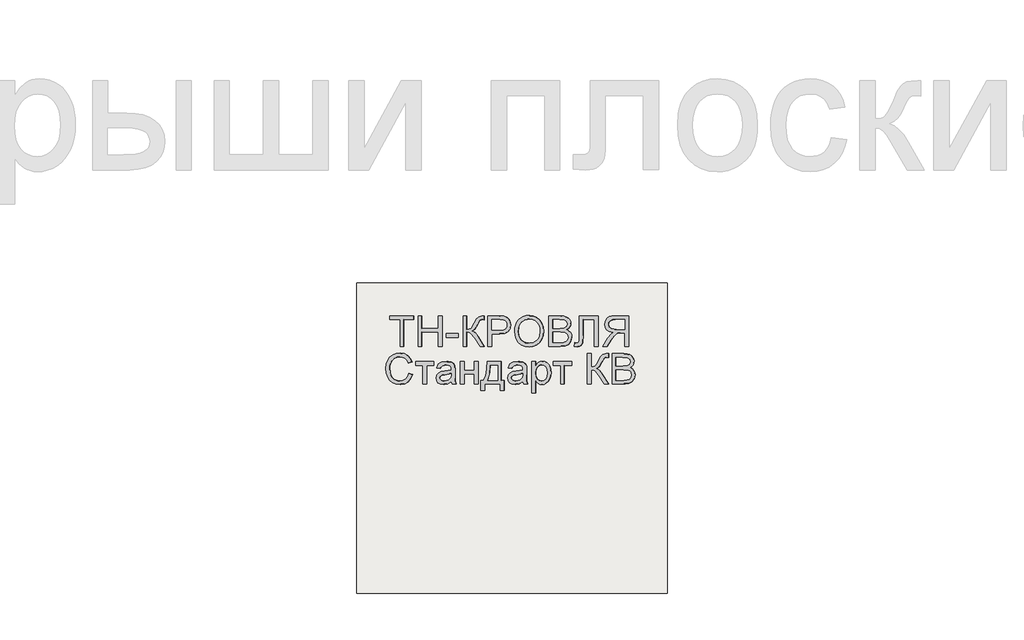
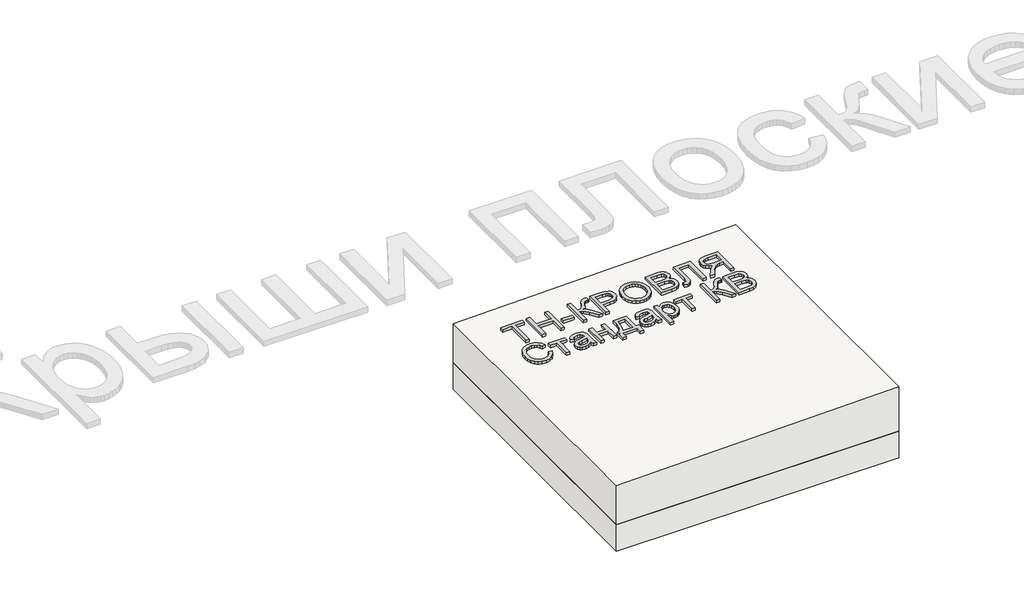
# One storey, part 1 of 2: 1 proxy, 1 roof, 1 slab.
"""IFC4 building model written with IfcOpenShell, lengths in millimetres."""

from ifc_helpers import new_model, si_unit, frame, origin, place, context, project, spatial, polyline, outline, extrude, element, save

model = new_model("IFC4")

# Units and contexts
model_context = context("Model", 3, world=origin())
ifc_project = project(units=[si_unit("LENGTHUNIT", "METRE", prefix="MILLI")], contexts=[model_context])

# Site, building, storey
site = spatial("IfcSite", under=ifc_project)
building = spatial("IfcBuilding", under=site)
storey = spatial("IfcBuildingStorey", under=building, Elevation=0.0)

# Proxy
placement = place(None, origin())
element("IfcBuildingElementProxy", 1, Name="Generic Models", at=placement, inside=storey, context=model_context, shape_type="SweptSolid", body=[
    extrude(outline(polyline([(24.6153846, 0.0), (24.6153846, -172.3076923), (89.2307692, -172.3076923), (89.2307692, -196.9230769), (-64.6153846, -196.9230769), (-64.6153846, -172.3076923), (0.0, -172.3076923), (0.0, 0.0), (24.6153846, 0.0)])), frame((1009.621708, -4710.2316754, 296.0645223), z_axis=(-0.019996001199563986, 0.0, 0.9998000599800078), x_axis=(-0.9998000599800078, 0.0, -0.019996001199563986)), (0.0, 0.0, 1.0), 20.0),
    extrude(outline(polyline([(24.6153846, 0.0), (24.6153846, -196.9230769), (0.0, -196.9230769), (0.0, -116.9230769), (-104.6153846, -116.9230769), (-104.6153846, -196.9230769), (-129.2307693, -196.9230769), (-129.2307693, 0.0), (-104.6153846, 0.0), (-104.6153846, -92.3076923), (0.0, -92.3076923), (0.0, 0.0), (24.6153846, 0.0)])), frame((1126.5214073, -4710.2316754, 298.4025162), z_axis=(-0.01999600119956399, 0.0, 0.9998000599800078), x_axis=(-0.9998000599800078, 0.0, -0.01999600119956399)), (0.0, 0.0, 1.0), 20.0),
    extrude(outline(polyline([(76.923077, 0.0), (76.923077, -24.6153846), (0.0, -24.6153846), (0.0, 0.0), (76.923077, 0.0)])), frame((1360.320806, -4651.7701369, 303.0785042), z_axis=(-0.01999600119956399, 0.0, 0.9998000599800079), x_axis=(-0.9998000599800079, 0.0, -0.01999600119956399)), (0.0, 0.0, 1.0), 20.0),
    extrude(outline(polyline([(196.9230769, 0.0), (196.9230769, -24.6153846), (110.7692308, -24.6153846), (112.3978365, -41.2800481), (117.2836538, -52.1394232), (128.7800481, -60.9194711), (150.2403846, -71.3461539), (177.7644231, -84.9278847), (191.3942308, -100.3125), (196.9230769, -122.3076923), (196.6346154, -138.4615385), (172.0192308, -138.4615385), (172.1634615, -133.0288462), (172.3076923, -127.5961539), (170.8293269, -116.3221154), (166.3942308, -108.3653847), (141.0576923, -93.7500001), (110.1923077, -76.3221154), (100.0, -59.3269231), (88.8701923, -78.329327), (65.6730769, -97.0673077), (0.0, -138.4615385), (0.0, -109.9038462), (55.4807692, -74.9038462), (84.4471154, -50.2644231), (90.3425481, -38.8882212), (92.3076923, -24.6153846), (0.0, -24.6153846), (0.0, 0.0), (196.9230769, 0.0)])), frame((1391.0838847, -4710.2316754, 303.6937658), z_axis=(-0.019996001199563986, 0.0, 0.9998000599800078), x_axis=(0.0, 1.0, 0.0)), (0.0, 0.0, 1.0), 20.0),
    extrude(outline(polyline([(24.6153846, 0.0), (24.6153846, -196.9230769), (-48.3653847, -196.9230769), (-77.7884616, -195.0480769), (-101.7067308, -185.8413461), (-110.4026443, -177.6802885), (-117.2115385, -166.8028846), (-123.0769231, -139.9519231), (-119.1165866, -116.7427885), (-107.235577, -97.4038461), (-97.7208534, -89.7896635), (-85.0180289, -84.3509615), (-50.048077, -80.0), (0.0, -80.0), (0.0, 0.0), (24.6153846, 0.0)]), holes=[polyline([(0.0, -104.6153846), (-51.4903847, -104.6153846), (-73.3173078, -106.875), (-87.7403846, -113.6538461), (-95.78125, -124.53125), (-98.4615385, -139.0865385), (-96.8810097, -150.1442308), (-92.1394232, -159.4711538), (-84.8257212, -166.4903846), (-75.5288462, -170.625), (-50.9134615, -172.3076923), (0.0, -172.3076923), (0.0, -104.6153846)])]), frame((1575.6623573, -4710.2316754, 307.3853352), z_axis=(-0.01999600119956399, 0.0, 0.9998000599800078), x_axis=(-0.9998000599800078, 0.0, -0.01999600119956399)), (0.0, 0.0, 1.0), 20.0),
    extrude(outline(polyline([(25.3428445, 0.0), (48.1160484, -4.1938573), (67.8912361, -11.3545773), (84.6684074, -21.48216), (98.4475626, -34.5766053), (108.9049086, -49.9093782), (115.7166524, -66.7519434), (118.8827941, -85.1043011), (118.4033337, -104.9664512), (112.3116986, -130.2760814), (100.0658902, -152.2136344), (82.4868293, -169.6009171), (60.3954366, -181.2597367), (34.812491, -187.0380147), (6.7587717, -186.7836729), (-21.0136463, -180.6528553), (-44.9882084, -168.8870737), (-63.9421568, -152.1247694), (-76.6527338, -131.0043835), (-83.1347827, -107.1750808), (-83.4031474, -82.2860261), (-77.1659621, -56.5935493), (-64.600884, -34.5586152), (-46.7404789, -17.2511253), (-24.6173127, -5.740981), (0.0, 0.0), (25.3428445, 0.0)]), holes=[polyline([(22.3721769, -24.4366544), (-8.7890431, -25.9094148), (-33.7562618, -37.9787802), (-50.9832576, -58.3865327), (-58.9238091, -84.8744541), (-57.0179297, -112.8610054), (-44.5775814, -136.6179286), (-34.5460353, -146.3414541), (-22.1589798, -153.8699217), (9.6816594, -162.341683), (31.570013, -162.6815636), (50.9840871, -158.5364568), (67.4340475, -150.0149318), (80.43006, -137.2255581), (89.4380632, -121.0520254), (93.9239955, -102.3780231), (92.2935561, -75.5530127), (81.0850249, -51.6494365), (71.4163804, -41.5325654), (58.4080243, -33.6248114), (22.3721769, -24.4366544)])]), frame((1726.1370731, -4639.5525889, 310.3948296), z_axis=(-0.019996001199563993, 0.0, 0.9998000599800079), x_axis=(-0.11095588221401108, 0.9938228553011806, -0.00221911764427619)), (0.0, 0.0, 1.0), 20.0),
    extrude(outline(polyline([(74.5673077, 0.0), (74.5673077, -196.9230769), (-0.5769231, -196.9230769), (-21.2439903, -195.4747596), (-37.3798076, -191.1298077), (-49.7475961, -183.7800481), (-59.1105769, -173.3173077), (-65.0060096, -161.0096154), (-66.9711538, -148.125), (-65.3185096, -136.2680288), (-60.3605769, -125.1201923), (-52.061298, -115.3665865), (-40.3846154, -107.6923077), (-54.3329326, -100.4086538), (-64.639423, -89.3269231), (-71.0036058, -75.1802885), (-73.125, -58.7019231), (-67.3317307, -32.2355769), (-52.9807692, -13.3894231), (-31.5625, -3.3894231), (0.0, 0.0), (74.5673077, 0.0)]), holes=[polyline([(49.9519231, -116.9230769), (5.0, -116.9230769), (-21.2499999, -119.0384615), (-37.0432692, -128.1490385), (-42.3557692, -144.1826923), (-37.4038461, -160.2403846), (-23.2211538, -169.7355769), (8.4134616, -172.3076923), (49.9519231, -172.3076923), (49.9519231, -116.9230769)]), polyline([(49.9519231, -24.6153846), (-0.5288461, -24.6153846), (-18.7980769, -25.5769231), (-34.2548077, -30.9375), (-44.4951923, -41.875), (-48.5096153, -58.4615385), (-43.7980769, -77.5961538), (-37.6262019, -84.5132211), (-28.5336538, -89.0144231), (1.875, -92.3076923), (49.9519231, -92.3076923), (49.9519231, -24.6153846)])]), frame((2019.3717013, -4710.2316754, 316.2595221), z_axis=(-0.019996001199563986, 0.0, 0.9998000599800078), x_axis=(-0.9998000599800078, 0.0, -0.019996001199563986)), (0.0, 0.0, 1.0), 20.0),
    extrude(outline(polyline([(137.6442308, 0.0), (137.6442308, -120.0), (-59.2788461, -120.0), (-59.2788461, -95.3846154), (113.0288462, -95.3846154), (113.0288462, -24.6153846), (12.548077, -24.6153846), (-32.2836538, -21.7548077), (-44.951923, -17.3257211), (-54.4471153, -9.7596153), (-60.3786057, 0.6009616), (-62.3557692, 13.4134616), (-59.2788461, 33.8461539), (-34.6634615, 30.7692308), (-37.7403846, 18.9903846), (-36.0877403, 10.6670673), (-31.1298076, 4.7355769), (-20.0420673, 1.1838942), (0.0, 0.0), (137.6442308, 0.0)])), frame((2141.7030067, -4650.9528293, 318.7061482), z_axis=(-0.019996001199563986, 0.0, 0.9998000599800078), x_axis=(0.0, 1.0, 0.0)), (0.0, 0.0, 1.0), 20.0),
    extrude(outline(polyline([(24.6153846, -110.7692308), (0.0, -110.7692308), (0.0, -24.6153847), (-29.7115384, -24.6153847), (-43.9903846, -25.4807693), (-55.6971154, -30.1682693), (-68.7019231, -42.9326923), (-87.2115385, -69.9519231), (-112.8365384, -110.7692308), (-141.4423077, -110.7692308), (-108.6057692, -57.4038462), (-88.6538462, -32.0673077), (-74.6634615, -21.5384616), (-98.9122596, -15.0120193), (-115.8894231, -3.2211539), (-125.8954327, 12.8605769), (-129.2307692, 32.2596153), (-127.2175481, 47.8545673), (-121.1778846, 62.0432692), (-111.766827, 73.4855769), (-99.6394231, 80.8413461), (-83.046875, 84.8257211), (-60.2403847, 86.1538461), (24.6153846, 86.1538461), (24.6153846, -110.7692308)]), holes=[polyline([(0.0, 0.0), (0.0, 61.5384615), (-61.2980769, 61.5384615), (-80.7752404, 59.4110577), (-94.2067308, 53.0288461), (-102.0132211, 43.3533653), (-104.6153846, 31.3461538), (-99.1586539, 14.639423), (-83.1971154, 3.4855769), (-55.0961538, 0.0), (0.0, 0.0)])]), frame((2433.952255, -4599.4624446, 324.5511332), z_axis=(-0.01999600119956399, 0.0, 0.9998000599800078), x_axis=(0.9998000599800078, 0.0, 0.01999600119956399)), (0.0, 0.0, 1.0), 20.0),
    extrude(outline(polyline([(22.5354079, 0.0), (25.296308, -25.2699081), (-5.5506296, -24.7796777), (-31.452572, -15.5094536), (-51.7172012, 1.8643534), (-65.6521992, 26.665333), (-72.7161385, 54.5176714), (-71.6541095, 79.1565775), (-62.9869172, 101.0084672), (-47.2353669, 120.4997568), (-26.1873801, 136.7174457), (-1.6308787, 148.7485329), (26.2607092, 156.1677693), (52.5465361, 156.7492124), (76.3287427, 150.6419577), (96.7094699, 137.995101), (113.000055, 120.0196259), (124.5118356, 97.9265161), (130.46148, 71.3235406), (127.5854564, 46.3849145), (116.3008345, 24.0133528), (97.024684, 5.1115705), (82.8399673, 26.0666107), (96.6174416, 40.3925606), (104.0173216, 55.650124), (105.4046693, 72.1313636), (101.1445465, 90.1283425), (91.2118017, 108.9763124), (77.6877546, 122.4335433), (61.4947541, 130.4051578), (43.5551487, 132.796278), (25.0378535, 130.8321413), (7.1117836, 125.7379848), (-13.5055529, 115.9656325), (-29.9321499, 103.8061216), (-41.3909419, 89.3281159), (-47.1048631, 72.6002794), (-47.6221488, 54.9380281), (-43.4910345, 37.6567782), (-33.3749751, 19.5140243), (-18.757379, 6.7332198), (0.0, 0.0), (22.5354079, 0.0)])), frame((1033.9617924, -4904.3903293, 296.5513239), z_axis=(-0.01999600119956399, 0.0, 0.9998000599800079), x_axis=(0.3532728748260901, 0.9354936425345043, 0.0070654574965090386)), (0.0, 0.0, 1.0), 20.0),
    extrude(outline(polyline([(24.6153846, 0.0), (24.6153846, -116.9230769), (0.0, -116.9230769), (0.0, -70.7692308), (-120.0, -70.7692308), (-120.0, -46.1538461), (0.0, -46.1538461), (0.0, 0.0), (24.6153846, 0.0)])), frame((1084.991251, -4833.3085985, 297.5719131), z_axis=(-0.019996001199563986, 0.0, 0.9998000599800078), x_axis=(0.0, 1.0, 0.0)), (0.0, 0.0, 1.0), 20.0),
    extrude(outline(polyline([(19.4601703, 0.0), (11.1819963, 27.9207833), (14.9143961, 54.4732733), (24.1902839, 73.0649574), (37.3011934, 84.6897486), (52.8826325, 89.3590492), (69.5701086, 87.0842617), (86.5521477, 76.4571844), (96.0465823, 60.2429097), (98.2586564, 41.3376585), (95.0355657, 19.9618777), (89.5623928, -23.2153749), (94.7162973, -25.0853756), (105.6740454, -26.9515756), (114.1004512, -24.4012291), (122.7587066, -15.3020791), (129.4557417, -0.8361792), (132.8384667, 24.2872046), (128.8153045, 32.9891694), (120.6530554, 40.8663574), (131.3561489, 63.2455532), (150.7935143, 45.5413592), (155.5977439, 34.3745663), (157.376525, 20.7448455), (151.8045309, -11.6304924), (138.2204199, -38.5478606), (122.4698447, -51.0601419), (104.2335367, -52.9377443), (83.4202766, -47.2669291), (54.3668506, -37.5824538), (13.4016719, -25.2450099), (-7.7840681, -23.3522042), (0.0, 0.0), (19.4601703, 0.0)]), holes=[polyline([(66.1645788, -15.5681361), (71.5617354, 24.4924486), (74.4731593, 45.8454244), (71.3488898, 56.9970142), (63.4279923, 63.1847402), (55.9042801, 63.7605636), (48.4755881, 60.4405521), (41.8184615, 53.1258846), (36.6094453, 41.7177398), (33.8253486, 28.7094523), (34.3213549, 16.2294779), (42.7667647, -3.5119526), (59.5967713, -13.2268344), (66.1645788, -15.5681361)])]), frame((1321.8669575, -4953.3085985, 302.3094272), z_axis=(-0.019996001199563993, 0.0, 0.9998000599800079), x_axis=(-0.3161645394309611, 0.9486832980505197, -0.006323290788607768)), (0.0, 0.0, 1.0), 20.0),
    extrude(outline(polyline([(144.6153846, 0.0), (144.6153846, -24.6153846), (89.2307692, -24.6153846), (89.2307692, -89.2307692), (144.6153846, -89.2307692), (144.6153846, -113.8461539), (0.0, -113.8461539), (0.0, -89.2307692), (64.6153846, -89.2307692), (64.6153846, -24.6153846), (0.0, -24.6153846), (0.0, 0.0), (144.6153846, 0.0)])), frame((1374.1641914, -4953.3085985, 303.3553719), z_axis=(-0.019996001199563986, 0.0, 0.9998000599800078), x_axis=(0.0, 1.0, 0.0)), (0.0, 0.0, 1.0), 20.0),
    extrude(outline(polyline([(39.8055302, 0.0), (42.4115803, -92.2708977), (-77.5405867, -95.6587629), (-77.0193766, -114.1129424), (-141.609005, -115.9371775), (-142.3039517, -91.3316048), (-102.319896, -90.2023164), (-105.1865512, 11.2956711), (-145.1706069, 10.1663827), (-145.8655536, 34.7719554), (-81.2759252, 36.5961905), (-80.8415835, 21.2177075), (-60.3235569, 10.6088538), (-33.3763624, 3.5362846), (0.0, 0.0), (39.8055302, 0.0)]), holes=[polyline([(15.8080359, -22.2248229), (-40.4142184, -18.041203), (-80.0597685, -6.4635618), (-78.2355334, -71.0531902), (17.1110609, -68.3602717), (15.8080359, -22.2248229)])]), frame((1545.3138591, -4848.4828773, 306.7783653), z_axis=(-0.01999600119956399, 0.0, 0.9998000599800078), x_axis=(0.02822656492557305, 0.999601391724179, 0.0005645312985104573)), (0.0, 0.0, 1.0), 20.0),
    extrude(outline(polyline([(19.4601702, -1e-07), (11.1819963, 27.9207832), (14.9143961, 54.4732733), (24.1902839, 73.0649574), (37.3011934, 84.6897486), (52.8826325, 89.3590492), (69.5701086, 87.0842617), (86.5521477, 76.4571843), (96.0465823, 60.2429097), (98.2586563, 41.3376584), (95.0355657, 19.9618776), (89.5623928, -23.2153749), (94.7162973, -25.0853757), (105.6740454, -26.9515756), (114.1004512, -24.4012291), (122.7587066, -15.3020791), (129.4557417, -0.8361792), (132.8384667, 24.2872046), (128.8153045, 32.9891693), (120.6530554, 40.8663574), (131.3561489, 63.2455532), (150.7935143, 45.5413592), (155.5977438, 34.3745662), (157.376525, 20.7448455), (151.8045309, -11.6304924), (138.2204199, -38.5478606), (122.4698447, -51.060142), (104.2335367, -52.9377443), (83.4202766, -47.2669291), (54.3668506, -37.5824538), (13.4016719, -25.2450099), (-7.7840681, -23.3522042), (0.0, 0.0), (19.4601702, -1e-07)]), holes=[polyline([(66.1645787, -15.5681362), (71.5617354, 24.4924486), (74.4731593, 45.8454244), (71.3488897, 56.9970141), (63.4279923, 63.1847402), (55.90428, 63.7605635), (48.4755881, 60.4405521), (41.8184615, 53.1258846), (36.6094453, 41.7177398), (33.8253486, 28.7094523), (34.3213549, 16.2294778), (42.7667647, -3.5119526), (59.5967713, -13.2268344), (66.1645787, -15.5681362)])]), frame((1783.313139, -4953.3085985, 311.5383509), z_axis=(-0.019996001199563993, 0.0, 0.9998000599800079), x_axis=(-0.3161645394309611, 0.9486832980505197, -0.006323290788607769)), (0.0, 0.0, 1.0), 20.0),
    extrude(outline(polyline([(24.6153847, 0.0), (24.6153847, -200.0), (0.0, -200.0), (0.0, -175.8653846), (-17.0192307, -196.2740385), (-27.4999999, -201.376202), (-40.0, -203.0769231), (-56.6466345, -200.6971154), (-71.201923, -193.5576923), (-83.0528846, -182.0913462), (-91.5865384, -166.7307693), (-96.7427885, -148.59375), (-98.4615384, -128.798077), (-96.5204326, -107.7463943), (-90.6971154, -88.9182693), (-81.1778846, -73.2692308), (-68.1490384, -61.7548077), (-52.9747596, -54.6694712), (-37.0192307, -52.3076923), (-25.703125, -53.8882212), (-15.6009615, -58.6298077), (0.0, -74.6153846), (0.0, 0.0), (24.6153847, 0.0)]), holes=[polyline([(0.0, -126.5384616), (-2.6622596, -104.4711539), (-10.6490384, -89.0384616), (-22.4338942, -79.9519231), (-36.4903846, -76.923077), (-50.7752403, -80.0600962), (-62.8605768, -89.4711539), (-71.0997596, -105.46875), (-73.8461538, -128.3653846), (-71.1658653, -150.3125), (-63.1249999, -165.9615385), (-51.3581731, -175.3365385), (-37.5, -178.4615385), (-23.5877403, -175.1382212), (-11.3701923, -165.1682693), (-2.842548, -148.8641827), (0.0, -126.5384616)])]), frame((1860.220836, -5008.6932139, 313.0765048), z_axis=(-0.019996001199563986, 0.0, 0.9998000599800078), x_axis=(-0.9998000599800078, 0.0, -0.019996001199563986)), (0.0, 0.0, 1.0), 20.0),
    extrude(outline(polyline([(24.6153846, 0.0), (24.6153846, -116.9230769), (0.0, -116.9230769), (0.0, -70.7692308), (-120.0, -70.7692308), (-120.0, -46.1538462), (0.0, -46.1538462), (0.0, 0.0), (24.6153846, 0.0)])), frame((1974.0442274, -4833.3085985, 315.3529726), z_axis=(-0.019996001199563986, 0.0, 0.9998000599800078), x_axis=(0.0, 1.0, 0.0)), (0.0, 0.0, 1.0), 20.0),
    extrude(outline(polyline([(196.9230769, 0.0), (196.9230769, -24.6153846), (110.7692308, -24.6153846), (112.3978366, -41.280048), (117.2836539, -52.1394231), (128.7800481, -60.9194711), (150.2403846, -71.3461539), (177.7644231, -84.9278846), (191.3942308, -100.3125), (196.9230769, -122.3076923), (196.6346154, -138.4615384), (172.0192308, -138.4615384), (172.1634616, -133.0288461), (172.3076923, -127.5961538), (170.8293269, -116.3221153), (166.3942308, -108.3653846), (141.0576923, -93.75), (110.1923077, -76.3221153), (100.0, -59.326923), (88.8701923, -78.3293269), (65.6730769, -97.0673076), (0.0, -138.4615384), (0.0, -109.9038461), (55.4807692, -74.9038461), (84.4471154, -50.2644231), (90.3425481, -38.8882211), (92.3076923, -24.6153846), (0.0, -24.6153846), (0.0, 0.0), (196.9230769, 0.0)])), frame((2192.4620867, -4953.3085985, 319.7213298), z_axis=(-0.019996001199563986, 0.0, 0.9998000599800078), x_axis=(0.0, 1.0, 0.0)), (0.0, 0.0, 1.0), 20.0),
    extrude(outline(polyline([(74.5673077, 0.0), (74.5673077, -196.9230769), (-0.576923, -196.9230769), (-21.2439903, -195.4747596), (-37.3798076, -191.1298077), (-49.7475961, -183.7800481), (-59.1105769, -173.3173077), (-65.0060096, -161.0096154), (-66.9711538, -148.125), (-65.3185096, -136.2680289), (-60.3605769, -125.1201923), (-52.061298, -115.3665866), (-40.3846153, -107.6923077), (-54.3329326, -100.4086539), (-64.639423, -89.3269231), (-71.0036058, -75.1802885), (-73.1249999, -58.7019231), (-67.3317307, -32.2355769), (-52.9807692, -13.3894231), (-31.5624999, -3.3894231), (0.0, 0.0), (74.5673077, 0.0)]), holes=[polyline([(49.9519231, -116.9230769), (5.0, -116.9230769), (-21.2499999, -119.0384616), (-37.0432692, -128.1490385), (-42.3557692, -144.1826923), (-37.4038461, -160.2403846), (-23.2211538, -169.7355769), (8.4134616, -172.3076923), (49.9519231, -172.3076923), (49.9519231, -116.9230769)]), polyline([(49.9519231, -24.6153846), (-0.5288461, -24.6153846), (-18.7980769, -25.5769231), (-34.2548076, -30.9375), (-44.4951923, -41.875), (-48.5096153, -58.4615385), (-43.7980769, -77.5961539), (-37.6262019, -84.5132212), (-28.5336538, -89.0144231), (1.8750001, -92.3076923), (49.9519231, -92.3076923), (49.9519231, -24.6153846)])]), frame((2426.982495, -4953.3085985, 324.411738), z_axis=(-0.019996001199563986, 0.0, 0.9998000599800078), x_axis=(-0.9998000599800078, 0.0, -0.019996001199563986)), (0.0, 0.0, 1.0), 20.0),
])

# Roof
element("IfcRoof", 2, at=placement, inside=storey, context=model_context, shape_type="SweptSolid", body=[
    extrude(outline(polyline([(290.0, 706.3955952), (0.0, 706.3955952), (0.0, 2706.3955952), (330.0, 2706.3955952), (290.0, 706.3955952)])), frame((0.0, -6302.6148653, 0.0), z_axis=(0.0, 1.0, 0.0), x_axis=(0.0, 0.0, 1.0)), (0.0, 0.0, 1.0), 2000.0),
])

# Slab
element("IfcSlab", 3, at=placement, inside=storey, context=model_context, shape_type="SweptSolid", body=[
    extrude(outline(polyline([(2706.3955952, -6302.6148653), (706.3955952, -6302.6148653), (706.3955952, -4302.6148653), (2706.3955952, -4302.6148653), (2706.3955952, -6302.6148653)])), frame((0.0, 0.0, -200.0), z_axis=(0.0, 0.0, 1.0), x_axis=(1.0, 0.0, 0.0)), (0.0, 0.0, 1.0), 200.0),
])

save(model, "model.ifc")
